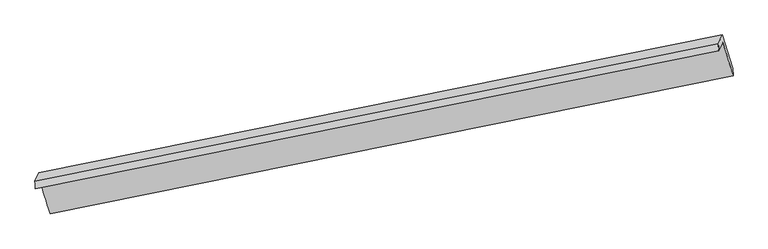
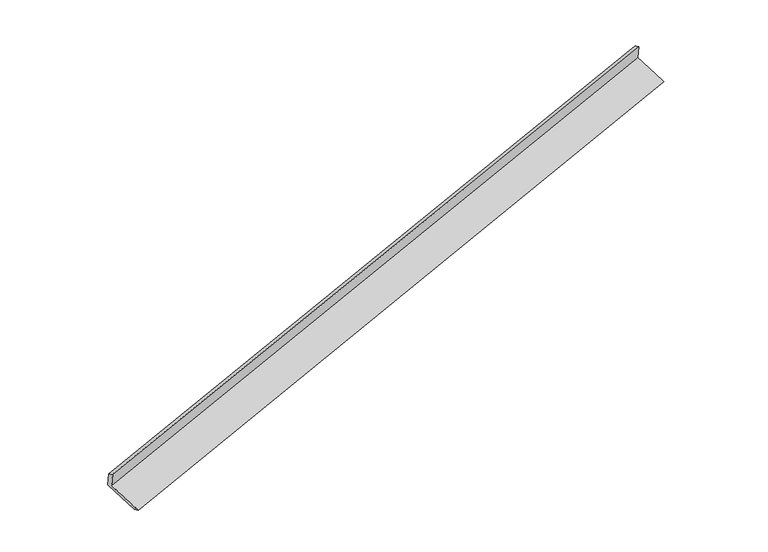
"""IFC4 building model written with IfcOpenShell, lengths in millimetres: proxy geometry."""

from ifc_helpers import new_model, si_unit, frame, origin, place, context, project, spatial, source, transform, mapped, element, save
from ifc_brep_helpers import plane_surface, spline_surface, advanced_brep


def generic_models_47b68408(model_context):
    return source(origin(), model_context, "Body", "AdvancedBrep", [
        advanced_brep(
        [(-9737.4332684, -2833.9923466, 371.3865729), (-9655.5335214, -2652.6027635, -38.9539645), (3857.3934984, 60.3593688, 3865.7339273), (3780.8812047, -109.0982127, 4249.0818233), (-9744.8486182, -2686.9918205, 293.5915213), (3770.5324781, 30.0795923, 4189.4715741), (-9666.7972717, -2514.125582, -97.4674577), (3850.3796423, 206.9231646, 3789.415048), (-9455.5582931, -3187.6392718, -353.0306765), (4051.5160251, -449.543953, 3539.3708321), (-9444.1686821, -3326.5177471, -294.6694532), (4061.4056443, -605.4936389, 3612.1146845)],
        [
            (0, 1),
            (1, 2),
            (2, 3),
            (3, 0),
            (4, 0),
            (3, 5),
            (5, 4),
            (6, 4),
            (5, 7),
            (7, 6),
            (8, 6),
            (7, 9),
            (9, 8),
            (10, 8),
            (9, 11),
            (11, 10),
            (1, 10),
            (11, 2),
        ],
        [
            plane_surface(frame((-9696.4833949, -2743.297555, 166.2163042), z_axis=(0.27881484195198825, -0.8976978846916365, -0.34117560247979245), x_axis=(0.1795817776041505, 0.397733386999068, -0.8997547099175326))),
            spline_surface(1, 1, [[(-9744.8486182, -2686.9918205, 293.5915213), (3770.5324781, 30.0795923, 4189.4715741)], [(-9737.4332684, -2833.9923466, 371.3865729), (3780.8812047, -109.0982127, 4249.0818233)]], [2, 2], [2, 2], [0.0, 1.0], [0.0, 1.0]),
            plane_surface(frame((-9705.822945, -2600.5587012, 98.0620318), z_axis=(-0.27881481822767534, 0.8976978894594764, 0.3411756093226334), x_axis=(-0.17958177760423488, -0.3977333869991755, 0.8997547099174681))),
            spline_surface(1, 1, [[(-9455.5582931, -3187.6392718, -353.0306765), (4051.5160251, -449.543953, 3539.3708321)], [(-9666.7972717, -2514.125582, -97.4674577), (3850.3796423, 206.9231646, 3789.415048)]], [2, 2], [2, 2], [0.0, 1.0], [0.0, 1.0]),
            spline_surface(1, 1, [[(-9444.1686821, -3326.5177471, -294.6694532), (4061.4056443, -605.4936389, 3612.1146845)], [(-9455.5582931, -3187.6392718, -353.0306765), (4051.5160251, -449.543953, 3539.3708321)]], [2, 2], [2, 2], [0.0, 1.0], [0.0, 1.0]),
            spline_surface(1, 1, [[(-9655.5335214, -2652.6027635, -38.9539645), (3857.3934984, 60.3593688, 3865.7339273)], [(-9444.1686821, -3326.5177471, -294.6694532), (4061.4056443, -605.4936389, 3612.1146845)]], [2, 2], [2, 2], [0.0, 1.0], [0.0, 1.0]),
            plane_surface(frame((3895.3514155, -144.4622798, 3874.1979816), z_axis=(0.9444469403095274, 0.18621793390907057, 0.27081886572136993), x_axis=(-0.2752641678324149, 0.8984047161256595, 0.3421967328171053))),
            plane_surface(frame((-9617.3899425, -2866.9782552, -19.8572429), z_axis=(-0.9426404824553108, -0.19204498742696172, -0.2730341437267454), x_axis=(-0.17958177760412405, -0.3977333869990309, 0.8997547099175542))),
        ],
        [
            (0, [[1, 2, 3, 4]]),
            (1, [[5, -4, 6, 7]]),
            (2, [[8, -7, 9, 10]]),
            (3, [[11, -10, 12, 13]]),
            (4, [[14, -13, 15, 16]]),
            (5, [[17, -16, 18, -2]]),
            (6, [[-12, -9, -6, -3, -18, -15]]),
            (7, [[-1, -5, -8, -11, -14, -17]]),
        ],
    ),
    ])


if __name__ == "__main__":
    model = new_model("IFC4")
    model_context = context("Model", 3, world=origin())
    ifc_project = project(units=[si_unit("LENGTHUNIT", "METRE", prefix="MILLI")], contexts=[model_context])
    site = spatial("IfcSite", under=ifc_project)
    building = spatial("IfcBuilding", under=site)
    placement = place(None, origin())
    generic_models_shape = generic_models_47b68408(model_context)
    element("IfcBuildingElementProxy", 1, Name="Generic Models", at=placement, inside=building, context=model_context, shape_type="MappedRepresentation", body=[
        mapped(generic_models_shape, transform((0.0, 0.0, 0.0), x_axis=(1.0, 0.0, 0.0), y_axis=(0.0, 1.0, 0.0), z_axis=(0.0, 0.0, 1.0))),
    ])
    save(model, "model.ifc")
